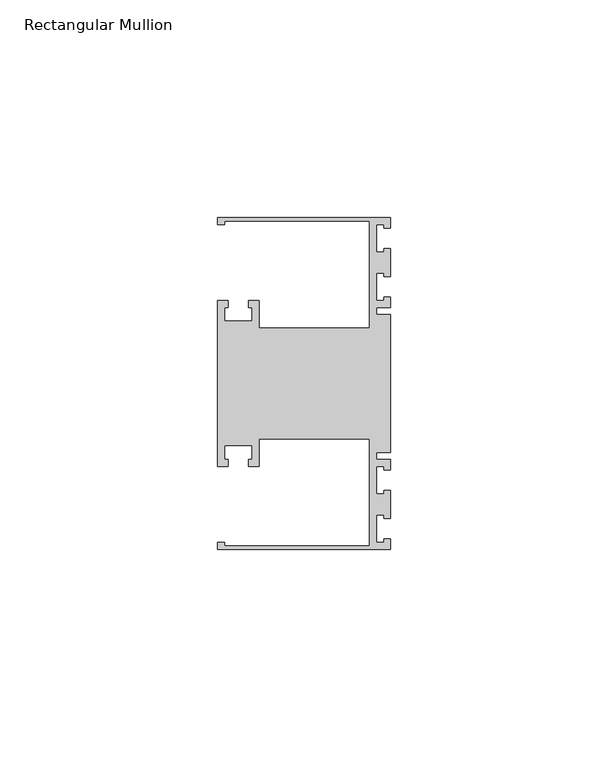
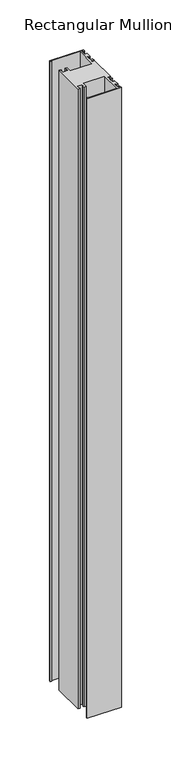
"""IFC4 building model written with IfcOpenShell, lengths in millimetres: member geometry, Rectangular Mullion."""

from ifc_helpers import new_model, si_unit, frame, origin, place, context, project, spatial, polyline, outline, extrude, source, transform, mapped, element, save


def rectangular_mullion_d5463b4e(model_context):
    return source(origin(), model_context, "Body", "SweptSolid", [
        extrude(outline(polyline([(0.0, 38.1), (0.0, 35.71875), (-1.4999946, 35.71875), (-1.4999946, 36.5125), (-3.175, 36.5125), (-3.175, 30.1625), (-1.4999946, 30.1625), (-1.4999946, 30.95625), (0.0, 30.95625), (0.0, 24.60625), (-1.4999946, 24.60625), (-1.4999946, 25.4), (-3.175, 25.4), (-3.175, 19.05), (-1.4999946, 19.05), (-1.4999946, 19.84375), (0.0, 19.84375), (0.0, 17.4625), (-3.175, 17.4625), (-3.175, 15.875), (0.0, 15.875), (0.0, -15.875), (-3.175, -15.875), (-3.175, -17.4625), (0.0, -17.4625), (0.0, -19.84375), (-1.4999946, -19.84375), (-1.4999946, -19.05), (-3.175, -19.05), (-3.175, -25.4), (-1.4999946, -25.4), (-1.4999946, -24.60625), (0.0, -24.60625), (0.0, -30.95625), (-1.4999946, -30.95625), (-1.4999946, -30.1625), (-3.175, -30.1625), (-3.175, -36.5125), (-1.4999946, -36.5125), (-1.4999946, -35.71875), (0.0, -35.71875), (0.0, -38.1), (-39.6875, -38.1), (-39.6875, -36.5125), (-38.1, -36.5125), (-38.1, -37.30625), (-4.7625, -37.30625), (-4.7625, -12.7), (-30.1625, -12.7), (-30.1625, -19.05), (-32.54375, -19.05), (-32.54375, -17.4625), (-31.75, -17.4625), (-31.75, -14.2875), (-38.1, -14.2875), (-38.1, -17.4625), (-37.30625, -17.4625), (-37.30625, -19.05), (-39.6875, -19.05), (-39.6875, 19.05), (-37.30625, 19.05), (-37.30625, 17.4625), (-38.1, 17.4625), (-38.1, 14.2875), (-31.75, 14.2875), (-31.75, 17.4625), (-32.54375, 17.4625), (-32.54375, 19.05), (-30.1625, 19.05), (-30.1625, 12.7), (-4.7625, 12.7), (-4.7625, 37.30625), (-38.1, 37.30625), (-38.1, 36.5125), (-39.6875, 36.5125), (-39.6875, 38.1), (0.0, 38.1)])), frame((0.0, 0.0, -762.0), z_axis=(0.0, 0.0, 1.0), x_axis=(1.0, 0.0, 0.0)), (0.0, 0.0, 1.0), 762.0),
    ])


if __name__ == "__main__":
    model = new_model("IFC4")
    model_context = context("Model", 3, world=origin())
    ifc_project = project(units=[si_unit("LENGTHUNIT", "METRE", prefix="MILLI")], contexts=[model_context])
    site = spatial("IfcSite", under=ifc_project)
    building = spatial("IfcBuilding", under=site)
    placement = place(None, origin())
    rectangular_mullion_shape = rectangular_mullion_d5463b4e(model_context)
    element("IfcMember", 1, ObjectType="Rectangular Mullion", at=placement, inside=building, context=model_context, shape_type="MappedRepresentation", body=[
        mapped(rectangular_mullion_shape, transform((0.0, 0.0, 0.0), x_axis=(1.0, 0.0, 0.0), y_axis=(0.0, 1.0, 0.0), z_axis=(0.0, 0.0, 1.0))),
    ])
    save(model, "model.ifc")
